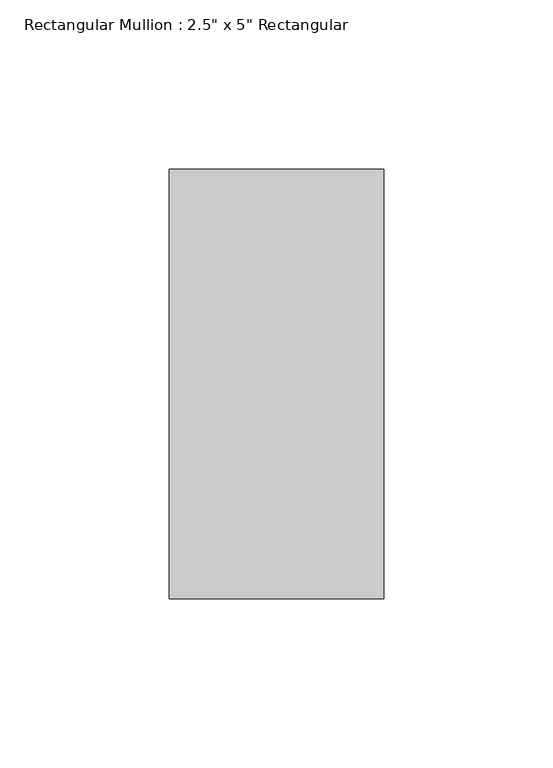
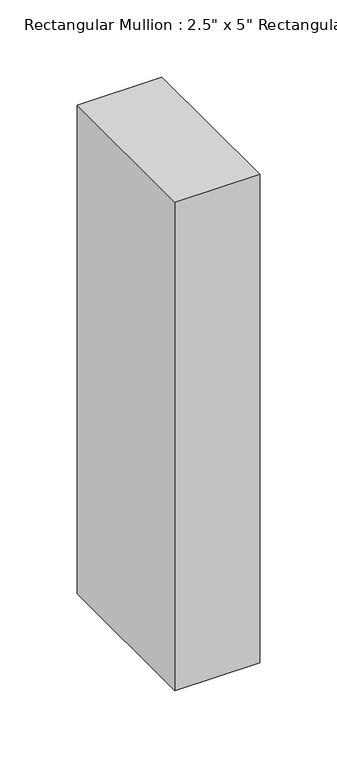
"""IFC4 building model written with IfcOpenShell, lengths in millimetres: member geometry."""

from ifc_helpers import new_model, si_unit, frame, origin, place, context, project, spatial, polyline, outline, extrude, source, transform, mapped, element, save


def member_dffdf235(model_context):
    return source(origin(), model_context, "Body", "SweptSolid", [
        extrude(outline(polyline([(0.0, 63.5), (0.0, -63.5), (-63.5, -63.5), (-63.5, 63.5), (0.0, 63.5)])), frame((0.0, 0.0, -387.35), z_axis=(0.0, 0.0, 1.0), x_axis=(1.0, 0.0, 0.0)), (0.0, 0.0, 1.0), 387.35),
    ])


if __name__ == "__main__":
    model = new_model("IFC4")
    model_context = context("Model", 3, world=origin())
    ifc_project = project(units=[si_unit("LENGTHUNIT", "METRE", prefix="MILLI")], contexts=[model_context])
    site = spatial("IfcSite", under=ifc_project)
    building = spatial("IfcBuilding", under=site)
    placement = place(None, origin())
    member_shape = member_dffdf235(model_context)
    element("IfcMember", 1, ObjectType="Rectangular Mullion : 2.5\" x 5\" Rectangular", at=placement, inside=building, context=model_context, shape_type="MappedRepresentation", body=[
        mapped(member_shape, transform((0.0, 0.0, 0.0), x_axis=(1.0, 0.0, 0.0), y_axis=(0.0, 1.0, 0.0), z_axis=(0.0, 0.0, 1.0))),
    ])
    save(model, "model.ifc")
